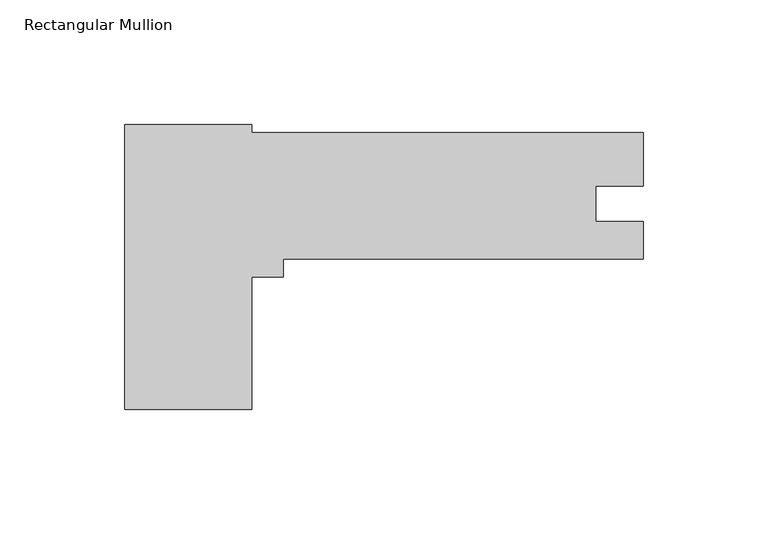
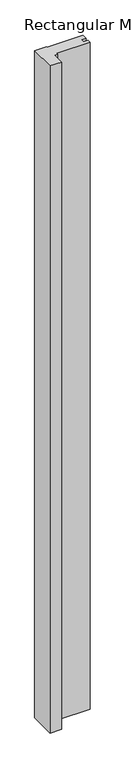
"""IFC4 building model written with IfcOpenShell, lengths in millimetres: member geometry, Rectangular Mullion."""

import ifcopenshell
import ifcopenshell.guid

model = None  # the IFC model being written
_history = None  # IfcOwnerHistory: only IFC2X3 demands one
_inside = {}  # id of a spatial element -> (the spatial element, [elements in it])
_under = {}  # id of a project, library or spatial element -> (it, [spatial elements below it])
_declared = {}  # id of a project -> (the project, [libraries it declares])
_typed = {}  # id of a type object -> (the type object, [elements of that type])
_made_of = {}  # id of a material, layer set ... -> (it, [elements and type objects made of it])


def new_model(schema):
    """Start an empty IFC model of exactly this schema.

    Asked for "IFC4X3", IfcOpenShell would pick the latest addendum, in which some entities
    have other attributes; the version numbers below select the first issue.
    IFC2X3 requires an IfcOwnerHistory on every rooted entity: one is made here for all.
    """
    global model, _history
    if schema == "IFC4X3":
        model = ifcopenshell.file(schema_version=(4, 3, 0, 0))
    else:
        model = ifcopenshell.file(schema=schema)
    _inside.clear()
    _under.clear()
    _declared.clear()
    _typed.clear()
    _made_of.clear()
    _history = None
    if model.schema == "IFC2X3":
        org = make("IfcOrganization", Name="unknown")
        user = make(
            "IfcPersonAndOrganization",
            ThePerson=make("IfcPerson", FamilyName="unknown"),
            TheOrganization=org,
        )
        app = make(
            "IfcApplication",
            ApplicationDeveloper=org,
            Version="unknown",
            ApplicationFullName="unknown",
            ApplicationIdentifier="unknown",
        )
        _history = make(
            "IfcOwnerHistory",
            OwningUser=user,
            OwningApplication=app,
            ChangeAction="ADDED",
            CreationDate=0,
        )
    return model


def make(cls, **values):
    """One entity of the class cls with the attributes given. An attribute that is None is left unset."""
    return model.create_entity(
        cls, **{name: value for name, value in values.items() if value is not None}
    )


def rooted(cls, **values):
    """An entity with a GlobalId (a new one), such as an element, a storey or a relation."""
    return make(cls, GlobalId=ifcopenshell.guid.new(), OwnerHistory=_history, **values)


def si_unit(unit_type, name, prefix=None):
    """IfcSIUnit, for example si_unit("LENGTHUNIT", "METRE", prefix="MILLI")."""
    return make("IfcSIUnit", UnitType=unit_type, Prefix=prefix, Name=name)


def assignment(units):
    """IfcUnitAssignment: the units of a project."""
    return None if units is None else make("IfcUnitAssignment", Units=units)


def point(xyz):
    """IfcCartesianPoint."""
    return None if xyz is None else make("IfcCartesianPoint", Coordinates=xyz)


def direction(xyz):
    """IfcDirection."""
    return None if xyz is None else make("IfcDirection", DirectionRatios=xyz)


def frame(location, z_axis=None, x_axis=None):
    """IfcAxis2Placement3D, a coordinate frame: its origin and axes. An axis left out is left unset."""
    return make(
        "IfcAxis2Placement3D",
        Location=point(location),
        Axis=direction(z_axis),
        RefDirection=direction(x_axis),
    )


def origin():
    """The frame at (0, 0, 0) with its axes left unset."""
    return frame((0.0, 0.0, 0.0))


def place(relative_to, where):
    """IfcLocalPlacement: puts the frame where relative to a parent placement (None: the world)."""
    return make(
        "IfcLocalPlacement", PlacementRelTo=relative_to, RelativePlacement=where
    )


def context(
    kind, dimensions, precision=None, world=None, true_north=None, identifier=None
):
    """IfcGeometricRepresentationContext, for example the 3D "Model" context."""
    return make(
        "IfcGeometricRepresentationContext",
        ContextIdentifier=identifier,
        ContextType=kind,
        CoordinateSpaceDimension=dimensions,
        Precision=precision,
        WorldCoordinateSystem=world,
        TrueNorth=true_north,
    )


def project(units=None, contexts=None):
    """IfcProject with its units and contexts."""
    return rooted(
        "IfcProject",
        Name="project",
        RepresentationContexts=contexts,
        UnitsInContext=assignment(units),
    )


def spatial(cls, under=None, at=None, **own):
    """A site, building, storey or space (cls), placed at a placement, below another one or the project."""
    s = rooted(cls, ObjectPlacement=at, **own)
    if under is not None:
        _under.setdefault(under.id(), (under, []))[1].append(s)
    return s


def polyline(points):
    """IfcPolyline through the points."""
    return make("IfcPolyline", Points=[point(p) for p in points])


def outline(outer, holes=None, kind="AREA"):
    """IfcArbitraryClosedProfileDef: a profile drawn as a closed curve; with holes, ...WithVoids."""
    if holes is None:
        return make("IfcArbitraryClosedProfileDef", ProfileType=kind, OuterCurve=outer)
    return make(
        "IfcArbitraryProfileDefWithVoids",
        ProfileType=kind,
        OuterCurve=outer,
        InnerCurves=holes,
    )


def extrude(swept, where, along, depth):
    """IfcExtrudedAreaSolid: the profile swept, set in the frame where, extruded along a direction by depth."""
    return make(
        "IfcExtrudedAreaSolid",
        SweptArea=swept,
        Position=where,
        ExtrudedDirection=direction(along),
        Depth=depth,
    )


def shape(context_of_items, identifier, shape_type, items):
    """IfcShapeRepresentation: the items that make up one representation, for example the "Body"."""
    return make(
        "IfcShapeRepresentation",
        ContextOfItems=context_of_items,
        RepresentationIdentifier=identifier,
        RepresentationType=shape_type,
        Items=items,
    )


def source(mapping_origin, context_of_items, identifier, shape_type, items):
    """IfcRepresentationMap: a shape defined once, which mapped items show again and again."""
    return make(
        "IfcRepresentationMap",
        MappingOrigin=mapping_origin,
        MappedRepresentation=shape(context_of_items, identifier, shape_type, items),
    )


def transform(
    local_origin,
    x_axis=None,
    y_axis=None,
    z_axis=None,
    scale=None,
    scale2=None,
    scale3=None,
    uniform=True,
):
    """IfcCartesianTransformationOperator3D, or its non-uniform kind. x_axis, y_axis, z_axis: its Axis1, 2, 3."""
    if uniform:
        return make(
            "IfcCartesianTransformationOperator3D",
            Axis1=direction(x_axis),
            Axis2=direction(y_axis),
            LocalOrigin=point(local_origin),
            Scale=scale,
            Axis3=direction(z_axis),
        )
    return make(
        "IfcCartesianTransformationOperator3DnonUniform",
        Axis1=direction(x_axis),
        Axis2=direction(y_axis),
        LocalOrigin=point(local_origin),
        Scale=scale,
        Axis3=direction(z_axis),
        Scale2=scale2,
        Scale3=scale3,
    )


def mapped(mapping_source, mapping_target):
    """IfcMappedItem: shows the shape of a source again, moved by a transform."""
    return make(
        "IfcMappedItem", MappingSource=mapping_source, MappingTarget=mapping_target
    )


def made_of(thing, what):
    """Note that an element or type object is made of a material, layer set ...; save() writes the relation."""
    if what is not None:
        _made_of.setdefault(what.id(), (what, []))[1].append(thing)
    return thing


def element(
    cls,
    number,
    at=None,
    inside=None,
    cuts=None,
    type_object=None,
    material=None,
    context=None,
    identifier="Body",
    shape_type=None,
    held_by="IfcProductDefinitionShape",
    body=None,
    shapes=None,
    **own,
):
    """One element of the class cls, such as IfcWall. Its Tag is "e" and its number.

    at: its placement. inside: the storey or other place that contains it. cuts: it is an
    opening in that element (IfcRelVoidsElement). A single representation is given by context,
    identifier, shape_type and body (its items); several are given by shapes. held_by: the class
    of the entity that holds the representations. save() writes the other relations.
    """
    e = rooted(cls, Tag="e%d" % number, ObjectPlacement=at, **own)
    if body is not None:
        shapes = [shape(context, identifier, shape_type, body)]
    if shapes is not None:
        e.Representation = make(held_by, Representations=shapes)
    if inside is not None:
        _inside.setdefault(inside.id(), (inside, []))[1].append(e)
    if cuts is not None:
        rooted(
            "IfcRelVoidsElement", RelatingBuildingElement=cuts, RelatedOpeningElement=e
        )
    if type_object is not None:
        _typed.setdefault(type_object.id(), (type_object, []))[1].append(e)
    return made_of(e, material)


def aggregate(whole, parts):
    """IfcRelAggregates: a whole, such as a stair, and the parts it consists of."""
    return rooted("IfcRelAggregates", RelatingObject=whole, RelatedObjects=parts)


def save(model, path):
    """Write the relations noted so far, then the file.

    IfcRelAggregates (storeys below a building ...), IfcRelContainedInSpatialStructure (elements
    in a storey), IfcRelDefinesByType, IfcRelAssociatesMaterial and IfcRelDeclares: one each for
    every whole, place, type object, material and project.
    """
    for whole, parts in _under.values():
        aggregate(whole, parts)
    for where, things in _inside.values():
        rooted(
            "IfcRelContainedInSpatialStructure",
            RelatedElements=things,
            RelatingStructure=where,
        )
    for kind, things in _typed.values():
        rooted("IfcRelDefinesByType", RelatedObjects=things, RelatingType=kind)
    for what, things in _made_of.values():
        rooted("IfcRelAssociatesMaterial", RelatedObjects=things, RelatingMaterial=what)
    for by, libraries in _declared.values():
        rooted("IfcRelDeclares", RelatingContext=by, RelatedDefinitions=libraries)
    model.write(path)


def rectangular_mullion_0ebd2266(model_context):
    return source(origin(), model_context, "Body", "SweptSolid", [
        extrude(outline(polyline([(-156.9720013, -114.29619), (-207.7720013, -114.29619), (-207.7720013, 0.0), (-156.9720013, 0.0), (-156.9720013, -3.175), (-1.3e-06, -3.175), (-1.3e-06, -24.5580011), (-19.0246, -24.5580011), (-19.0246, -38.8747), (0.0, -38.8747), (0.0, -53.975), (-144.2720013, -53.975), (-144.2720013, -61.13399), (-156.9720013, -61.13399), (-156.9720013, -114.29619)])), frame((0.0, 0.0, -3048.0), z_axis=(0.0, 0.0, 1.0), x_axis=(1.0, 0.0, 0.0)), (0.0, 0.0, 1.0), 3048.0),
    ])


if __name__ == "__main__":
    model = new_model("IFC4")
    model_context = context("Model", 3, world=origin())
    ifc_project = project(units=[si_unit("LENGTHUNIT", "METRE", prefix="MILLI")], contexts=[model_context])
    site = spatial("IfcSite", under=ifc_project)
    building = spatial("IfcBuilding", under=site)
    placement = place(None, origin())
    rectangular_mullion_shape = rectangular_mullion_0ebd2266(model_context)
    element("IfcMember", 1, ObjectType="Rectangular Mullion", at=placement, inside=building, context=model_context, shape_type="MappedRepresentation", body=[
        mapped(rectangular_mullion_shape, transform((0.0, 0.0, 0.0), x_axis=(1.0, 0.0, 0.0), y_axis=(0.0, 1.0, 0.0), z_axis=(0.0, 0.0, 1.0))),
    ])
    save(model, "model.ifc")
